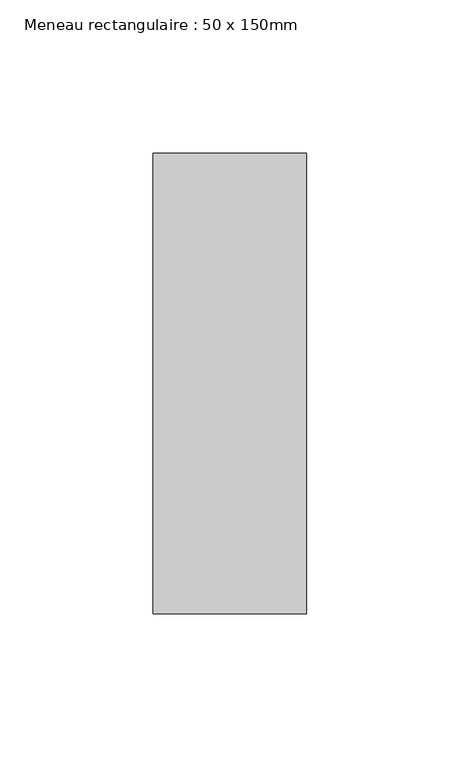
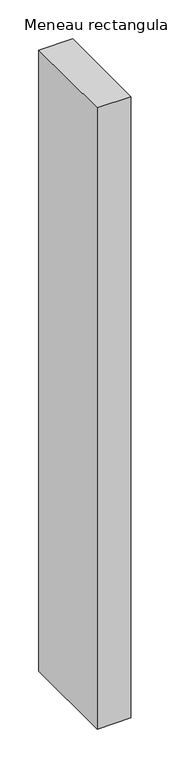
"""IFC4 building model written with IfcOpenShell, lengths in millimetres: member geometry, Meneau rectangulaire : 50 x 150mm."""

from ifc_helpers import new_model, si_unit, frame, origin, place, context, project, spatial, polyline, outline, extrude, source, transform, mapped, element, save


def meneau_rectangulaire_50_x_150mm_bb797b61(model_context):
    return source(origin(), model_context, "Body", "SweptSolid", [
        extrude(outline(polyline([(25.0, 75.0), (25.0, -75.0), (-25.0, -75.0), (-25.0, 75.0), (25.0, 75.0)])), frame((0.0, 0.0, -975.0), z_axis=(0.0, 0.0, 1.0), x_axis=(1.0, 0.0, 0.0)), (0.0, 0.0, 1.0), 975.0),
    ])


if __name__ == "__main__":
    model = new_model("IFC4")
    model_context = context("Model", 3, world=origin())
    ifc_project = project(units=[si_unit("LENGTHUNIT", "METRE", prefix="MILLI")], contexts=[model_context])
    site = spatial("IfcSite", under=ifc_project)
    building = spatial("IfcBuilding", under=site)
    placement = place(None, origin())
    meneau_rectangulaire_50_x_150mm_shape = meneau_rectangulaire_50_x_150mm_bb797b61(model_context)
    element("IfcMember", 1, ObjectType="Meneau rectangulaire : 50 x 150mm", at=placement, inside=building, context=model_context, shape_type="MappedRepresentation", body=[
        mapped(meneau_rectangulaire_50_x_150mm_shape, transform((0.0, 0.0, 0.0), x_axis=(1.0, 0.0, 0.0), y_axis=(0.0, 1.0, 0.0), z_axis=(0.0, 0.0, 1.0))),
    ])
    save(model, "model.ifc")
